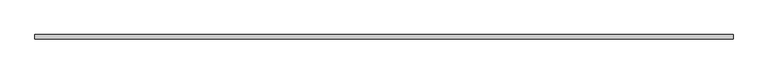
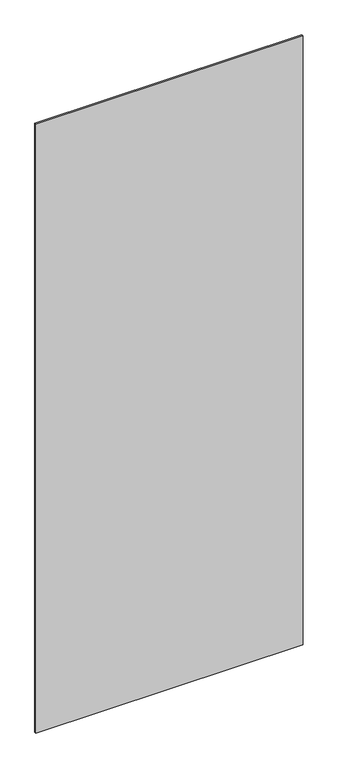
"""IFC4 building model written with IfcOpenShell, lengths in millimetres: plate geometry."""

from ifc_helpers import new_model, si_unit, origin, origin_with_axes, place, context, project, spatial, polyline, outline, extrude, source, transform, mapped, element, save


def plate_e6ca128a(model_context):
    return source(origin(), model_context, "Body", "SweptSolid", [
        extrude(outline(polyline([(801.5442701, -5.0), (-801.5442701, -5.0), (-801.5442701, 5.0), (801.5442701, 5.0), (801.5442701, -5.0)])), origin_with_axes(), (0.0, 0.0, 1.0), 3860.0),
    ])


if __name__ == "__main__":
    model = new_model("IFC4")
    model_context = context("Model", 3, world=origin())
    ifc_project = project(units=[si_unit("LENGTHUNIT", "METRE", prefix="MILLI")], contexts=[model_context])
    site = spatial("IfcSite", under=ifc_project)
    building = spatial("IfcBuilding", under=site)
    placement = place(None, origin())
    plate_shape = plate_e6ca128a(model_context)
    element("IfcPlate", 1, at=placement, inside=building, context=model_context, shape_type="MappedRepresentation", body=[
        mapped(plate_shape, transform((0.0, 0.0, 0.0), x_axis=(1.0, 0.0, 0.0), y_axis=(0.0, 1.0, 0.0), z_axis=(0.0, 0.0, 1.0))),
    ])
    save(model, "model.ifc")
